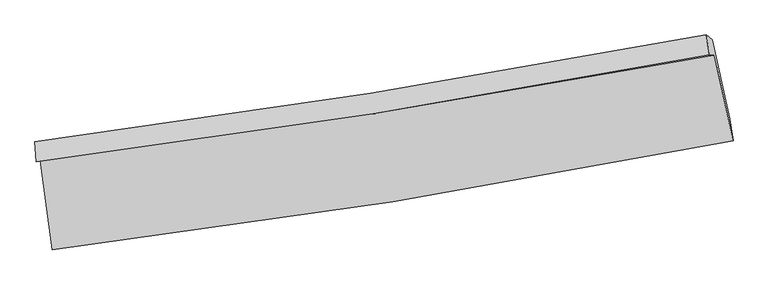
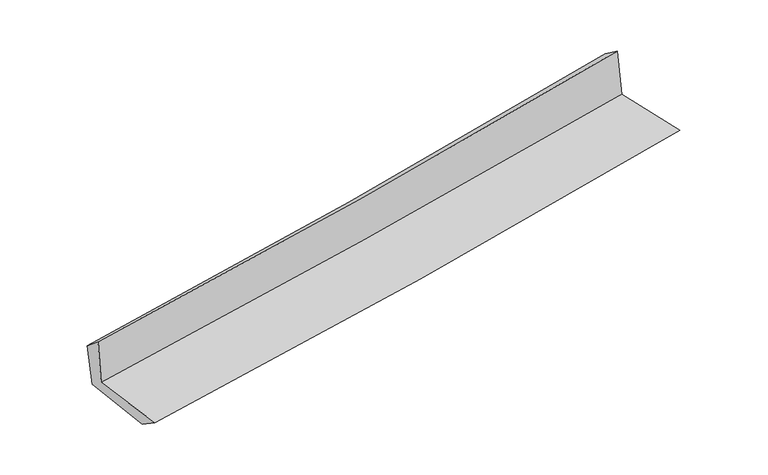
"""IFC4 building model written with IfcOpenShell, lengths in millimetres: proxy geometry."""

import ifcopenshell
import ifcopenshell.guid

model = None  # the IFC model being written
_history = None  # IfcOwnerHistory: only IFC2X3 demands one
_inside = {}  # id of a spatial element -> (the spatial element, [elements in it])
_under = {}  # id of a project, library or spatial element -> (it, [spatial elements below it])
_declared = {}  # id of a project -> (the project, [libraries it declares])
_typed = {}  # id of a type object -> (the type object, [elements of that type])
_made_of = {}  # id of a material, layer set ... -> (it, [elements and type objects made of it])


def new_model(schema):
    """Start an empty IFC model of exactly this schema.

    Asked for "IFC4X3", IfcOpenShell would pick the latest addendum, in which some entities
    have other attributes; the version numbers below select the first issue.
    IFC2X3 requires an IfcOwnerHistory on every rooted entity: one is made here for all.
    """
    global model, _history
    if schema == "IFC4X3":
        model = ifcopenshell.file(schema_version=(4, 3, 0, 0))
    else:
        model = ifcopenshell.file(schema=schema)
    _inside.clear()
    _under.clear()
    _declared.clear()
    _typed.clear()
    _made_of.clear()
    _history = None
    if model.schema == "IFC2X3":
        org = make("IfcOrganization", Name="unknown")
        user = make(
            "IfcPersonAndOrganization",
            ThePerson=make("IfcPerson", FamilyName="unknown"),
            TheOrganization=org,
        )
        app = make(
            "IfcApplication",
            ApplicationDeveloper=org,
            Version="unknown",
            ApplicationFullName="unknown",
            ApplicationIdentifier="unknown",
        )
        _history = make(
            "IfcOwnerHistory",
            OwningUser=user,
            OwningApplication=app,
            ChangeAction="ADDED",
            CreationDate=0,
        )
    return model


def make(cls, **values):
    """One entity of the class cls with the attributes given. An attribute that is None is left unset."""
    return model.create_entity(
        cls, **{name: value for name, value in values.items() if value is not None}
    )


def rooted(cls, **values):
    """An entity with a GlobalId (a new one), such as an element, a storey or a relation."""
    return make(cls, GlobalId=ifcopenshell.guid.new(), OwnerHistory=_history, **values)


def si_unit(unit_type, name, prefix=None):
    """IfcSIUnit, for example si_unit("LENGTHUNIT", "METRE", prefix="MILLI")."""
    return make("IfcSIUnit", UnitType=unit_type, Prefix=prefix, Name=name)


def assignment(units):
    """IfcUnitAssignment: the units of a project."""
    return None if units is None else make("IfcUnitAssignment", Units=units)


def point(xyz):
    """IfcCartesianPoint."""
    return None if xyz is None else make("IfcCartesianPoint", Coordinates=xyz)


def direction(xyz):
    """IfcDirection."""
    return None if xyz is None else make("IfcDirection", DirectionRatios=xyz)


def frame(location, z_axis=None, x_axis=None):
    """IfcAxis2Placement3D, a coordinate frame: its origin and axes. An axis left out is left unset."""
    return make(
        "IfcAxis2Placement3D",
        Location=point(location),
        Axis=direction(z_axis),
        RefDirection=direction(x_axis),
    )


def origin():
    """The frame at (0, 0, 0) with its axes left unset."""
    return frame((0.0, 0.0, 0.0))


def place(relative_to, where):
    """IfcLocalPlacement: puts the frame where relative to a parent placement (None: the world)."""
    return make(
        "IfcLocalPlacement", PlacementRelTo=relative_to, RelativePlacement=where
    )


def context(
    kind, dimensions, precision=None, world=None, true_north=None, identifier=None
):
    """IfcGeometricRepresentationContext, for example the 3D "Model" context."""
    return make(
        "IfcGeometricRepresentationContext",
        ContextIdentifier=identifier,
        ContextType=kind,
        CoordinateSpaceDimension=dimensions,
        Precision=precision,
        WorldCoordinateSystem=world,
        TrueNorth=true_north,
    )


def project(units=None, contexts=None):
    """IfcProject with its units and contexts."""
    return rooted(
        "IfcProject",
        Name="project",
        RepresentationContexts=contexts,
        UnitsInContext=assignment(units),
    )


def spatial(cls, under=None, at=None, **own):
    """A site, building, storey or space (cls), placed at a placement, below another one or the project."""
    s = rooted(cls, ObjectPlacement=at, **own)
    if under is not None:
        _under.setdefault(under.id(), (under, []))[1].append(s)
    return s


def shape(context_of_items, identifier, shape_type, items):
    """IfcShapeRepresentation: the items that make up one representation, for example the "Body"."""
    return make(
        "IfcShapeRepresentation",
        ContextOfItems=context_of_items,
        RepresentationIdentifier=identifier,
        RepresentationType=shape_type,
        Items=items,
    )


def source(mapping_origin, context_of_items, identifier, shape_type, items):
    """IfcRepresentationMap: a shape defined once, which mapped items show again and again."""
    return make(
        "IfcRepresentationMap",
        MappingOrigin=mapping_origin,
        MappedRepresentation=shape(context_of_items, identifier, shape_type, items),
    )


def transform(
    local_origin,
    x_axis=None,
    y_axis=None,
    z_axis=None,
    scale=None,
    scale2=None,
    scale3=None,
    uniform=True,
):
    """IfcCartesianTransformationOperator3D, or its non-uniform kind. x_axis, y_axis, z_axis: its Axis1, 2, 3."""
    if uniform:
        return make(
            "IfcCartesianTransformationOperator3D",
            Axis1=direction(x_axis),
            Axis2=direction(y_axis),
            LocalOrigin=point(local_origin),
            Scale=scale,
            Axis3=direction(z_axis),
        )
    return make(
        "IfcCartesianTransformationOperator3DnonUniform",
        Axis1=direction(x_axis),
        Axis2=direction(y_axis),
        LocalOrigin=point(local_origin),
        Scale=scale,
        Axis3=direction(z_axis),
        Scale2=scale2,
        Scale3=scale3,
    )


def mapped(mapping_source, mapping_target):
    """IfcMappedItem: shows the shape of a source again, moved by a transform."""
    return make(
        "IfcMappedItem", MappingSource=mapping_source, MappingTarget=mapping_target
    )


def made_of(thing, what):
    """Note that an element or type object is made of a material, layer set ...; save() writes the relation."""
    if what is not None:
        _made_of.setdefault(what.id(), (what, []))[1].append(thing)
    return thing


def element(
    cls,
    number,
    at=None,
    inside=None,
    cuts=None,
    type_object=None,
    material=None,
    context=None,
    identifier="Body",
    shape_type=None,
    held_by="IfcProductDefinitionShape",
    body=None,
    shapes=None,
    **own,
):
    """One element of the class cls, such as IfcWall. Its Tag is "e" and its number.

    at: its placement. inside: the storey or other place that contains it. cuts: it is an
    opening in that element (IfcRelVoidsElement). A single representation is given by context,
    identifier, shape_type and body (its items); several are given by shapes. held_by: the class
    of the entity that holds the representations. save() writes the other relations.
    """
    e = rooted(cls, Tag="e%d" % number, ObjectPlacement=at, **own)
    if body is not None:
        shapes = [shape(context, identifier, shape_type, body)]
    if shapes is not None:
        e.Representation = make(held_by, Representations=shapes)
    if inside is not None:
        _inside.setdefault(inside.id(), (inside, []))[1].append(e)
    if cuts is not None:
        rooted(
            "IfcRelVoidsElement", RelatingBuildingElement=cuts, RelatedOpeningElement=e
        )
    if type_object is not None:
        _typed.setdefault(type_object.id(), (type_object, []))[1].append(e)
    return made_of(e, material)


def aggregate(whole, parts):
    """IfcRelAggregates: a whole, such as a stair, and the parts it consists of."""
    return rooted("IfcRelAggregates", RelatingObject=whole, RelatedObjects=parts)


def save(model, path):
    """Write the relations noted so far, then the file.

    IfcRelAggregates (storeys below a building ...), IfcRelContainedInSpatialStructure (elements
    in a storey), IfcRelDefinesByType, IfcRelAssociatesMaterial and IfcRelDeclares: one each for
    every whole, place, type object, material and project.
    """
    for whole, parts in _under.values():
        aggregate(whole, parts)
    for where, things in _inside.values():
        rooted(
            "IfcRelContainedInSpatialStructure",
            RelatedElements=things,
            RelatingStructure=where,
        )
    for kind, things in _typed.values():
        rooted("IfcRelDefinesByType", RelatedObjects=things, RelatingType=kind)
    for what, things in _made_of.values():
        rooted("IfcRelAssociatesMaterial", RelatedObjects=things, RelatingMaterial=what)
    for by, libraries in _declared.values():
        rooted("IfcRelDeclares", RelatingContext=by, RelatedDefinitions=libraries)
    model.write(path)


def plane_surface(at):
    """IfcPlane: the flat surface through the origin of the frame at, square to its z axis."""
    return make("IfcPlane", Position=at)


def spline_curve(degree, points, multiplicities, knots, weights=None):
    """IfcBSplineCurveWithKnots; with weights, IfcRationalBSplineCurveWithKnots."""
    own = dict(
        Degree=degree,
        ControlPointsList=[point(p) for p in points],
        CurveForm="UNSPECIFIED",
        ClosedCurve=False,
        SelfIntersect=False,
        KnotMultiplicities=multiplicities,
        Knots=knots,
        KnotSpec="UNSPECIFIED",
    )
    if weights is None:
        return make("IfcBSplineCurveWithKnots", **own)
    return make("IfcRationalBSplineCurveWithKnots", WeightsData=weights, **own)


def spline_surface(u_degree, v_degree, points, u_multiplicities, v_multiplicities, u_knots, v_knots, weights=None):
    """IfcBSplineSurfaceWithKnots; with weights, IfcRationalBSplineSurfaceWithKnots. points: one row for each step in u."""
    own = dict(
        UDegree=u_degree,
        VDegree=v_degree,
        ControlPointsList=[[point(p) for p in row] for row in points],
        SurfaceForm="UNSPECIFIED",
        UClosed=False,
        VClosed=False,
        SelfIntersect=False,
        UMultiplicities=u_multiplicities,
        VMultiplicities=v_multiplicities,
        UKnots=u_knots,
        VKnots=v_knots,
        KnotSpec="UNSPECIFIED",
    )
    if weights is None:
        return make("IfcBSplineSurfaceWithKnots", **own)
    return make("IfcRationalBSplineSurfaceWithKnots", WeightsData=weights, **own)


def advanced_brep(points, edges, surfaces, faces):
    """IfcAdvancedBrep: a solid bounded by faces that lie on surfaces and meet in shared edges.

    An edge is (start, end): straight between two places in points (the first is 0);
    or (start, end, curve); or (start, end, curve, False) where it runs against its curve.
    A face is (place in surfaces, loops), or (place, loops, False) where it looks against
    its surface's normal. A loop lists edges by number (the first is 1), with a minus sign
    where the edge is run from its end to its start. The first loop is the outer one.
    """
    corners = [point(p) for p in points]
    vertices = [make("IfcVertexPoint", VertexGeometry=c) for c in corners]
    made = []
    for start, end, *more in edges:
        made.append(
            make(
                "IfcEdgeCurve",
                EdgeStart=vertices[start],
                EdgeEnd=vertices[end],
                EdgeGeometry=more[0] if more else make("IfcPolyline", Points=[corners[start], corners[end]]),
                SameSense=more[1] if len(more) > 1 else True,
            )
        )
    hull = []
    for where, loops, *sense in faces:
        bounds = []
        for j, loop in enumerate(loops):
            ring = [make("IfcOrientedEdge", EdgeElement=made[abs(k) - 1], Orientation=k > 0) for k in loop]
            bounds.append(
                make(
                    "IfcFaceOuterBound" if j == 0 else "IfcFaceBound",
                    Bound=make("IfcEdgeLoop", EdgeList=ring),
                    Orientation=True,
                )
            )
        hull.append(make("IfcAdvancedFace", Bounds=bounds, FaceSurface=surfaces[where], SameSense=sense[0] if sense else True))
    return make("IfcAdvancedBrep", Outer=make("IfcClosedShell", CfsFaces=hull))


def generic_models_9d9967fe(model_context):
    return source(origin(), model_context, "Body", "AdvancedBrep", [
        advanced_brep(
        [(-2580.0797332, -1886.145468, 1654.2389904), (-2492.6888988, -2566.8540588, 1658.1326456), (2669.9689953, -1739.5051658, 2105.8243804), (2529.0386352, -1090.2027942, 2104.1302781), (-2613.7956621, -1898.6616966, 2058.6817602), (2490.5235314, -1085.9475678, 2521.3939009), (-2622.2960306, -1745.9186337, 1930.6322182), (2467.6924338, -937.154128, 2415.9491062), (-2588.3626524, -1763.3003752, 1567.8122944), (2511.8336458, -974.6346319, 2016.3705052), (-2504.9628452, -2391.7287979, 1540.2593526), (2643.5123892, -1572.542973, 1996.8023133)],
        [
            (0, 1),
            (1, 2, spline_curve(3, [(-2492.6888988, -2566.8540588, 1658.1326456), (-1629.264565399, -2461.216894519, 1737.115605135), (-768.282529753, -2339.641482574, 1813.836778015), (952.625264331, -2064.00097599, 1963.0875722), (1812.529193617, -1909.793423324, 2035.596977865), (2669.9689953, -1739.5051658, 2105.8243804)], [4, 2, 4], [0.0, 8.543448177390792, 17.12499248668889])),
            (2, 3),
            (3, 0, spline_curve(3, [(2529.0386352, -1090.2027942, 2104.1302781), (1678.561303296, -1244.385616988, 2031.075443792), (826.612364786, -1387.929523757, 1956.971355113), (-876.440128378, -1653.149499242, 1806.998297245), (-1727.530645746, -1774.919816978, 1731.138623547), (-2580.0797332, -1886.145468, 1654.2389904)], [4, 2, 4], [0.0, 8.581544309298097, 17.12499248668889])),
            (4, 0),
            (3, 5),
            (5, 4, spline_curve(3, [(2490.5235314, -1085.9475678, 2521.3939009), (1642.440448096, -1248.524978961, 2442.009273413), (792.087683368, -1397.660688938, 2363.674165148), (-909.372154769, -1668.446319746, 2209.446082506), (-1760.45912115, -1790.215319226, 2133.543810366), (-2613.7956621, -1898.6616966, 2058.6817602)], [4, 2, 4], [0.0, 8.533313000612885, 17.028743983029415])),
            (6, 4),
            (5, 7),
            (7, 6, spline_curve(3, [(2467.6924338, -937.154128, 2415.9491062), (1621.692557568, -1098.04855145, 2334.103591549), (773.578625901, -1246.014038601, 2252.648657727), (-923.102924046, -1515.487670745, 2090.879821832), (-1771.651813533, -1637.110352398, 2010.562459592), (-2622.2960306, -1745.9186337, 1930.6322182)], [4, 2, 4], [0.0, 8.522298388461138, 17.006763655999222])),
            (8, 6),
            (7, 9),
            (9, 8, spline_curve(3, [(2511.8336458, -974.6346319, 2016.3705052), (1663.309090599, -1129.140571443, 1940.376461716), (813.081185476, -1272.236565627, 1864.917622146), (-886.999337092, -1535.024066837, 1715.402959868), (-1736.836864744, -1654.816654104, 1641.342396002), (-2588.3626524, -1763.3003752, 1567.8122944)], [4, 2, 4], [0.0, 8.514660217725355, 16.991521222732217])),
            (10, 8),
            (9, 11),
            (11, 10, spline_curve(3, [(2643.5123892, -1572.542973, 1996.8023133), (1787.815222028, -1739.989335092, 1928.361764389), (929.967824224, -1892.095815225, 1856.002910497), (-786.209635911, -2165.021862304, 1703.787211823), (-1644.520649685, -2285.977323696, 1623.965078601), (-2504.9628452, -2391.7287979, 1540.2593526)], [4, 2, 4], [0.0, 8.56142536515144, 17.084843912617167])),
            (1, 10),
            (11, 2),
        ],
        [
            spline_surface(3, 3, [[(-2580.0797332, -1886.145468, 1654.2389904), (-1727.530645745, -1774.919816966, 1731.138623473), (-876.440128289, -1653.149499184, 1806.998297268), (826.612364697, -1387.929523816, 1956.97135509), (1678.561303339, -1244.385616967, 2031.075443858), (2529.0386352, -1090.2027942, 2104.1302781)], [(-2550.949455071, -2113.048331626, 1655.536875467), (-1694.77528561, -2003.685509508, 1733.130950695), (-840.387595449, -1881.98016035, 1809.277790839), (868.616664601, -1613.286674505, 1959.010094166), (1723.217266719, -1466.188219109, 2032.58262182), (2576.01542187, -1306.636918061, 2104.694978873)], [(-2521.819176929, -2339.951195174, 1656.834760533), (-1662.019925461, -2232.451201971, 1735.123277916), (-804.33506264, -2110.810821516, 1811.557284369), (910.620964474, -1838.643825192, 1961.0488332), (1767.873230189, -1687.990821268, 2034.089799764), (2622.99220863, -1523.071041939, 2105.259679627)], [(-2492.6888988, -2566.8540588, 1658.1326456), (-1629.264565326, -2461.216894513, 1737.115605139), (-768.2825298, -2339.641482683, 1813.83677794), (952.625264379, -2064.00097588, 1963.087572276), (1812.529193569, -1909.79342341, 2035.596977726), (2669.9689953, -1739.5051658, 2105.8243804)]], [4, 4], [4, 2, 4], [0.0, 2.2679914264988903], [0.0, 8.543448177390792, 17.12499248668889]),
            spline_surface(3, 3, [[(-2613.7956621, -1898.6616966, 2058.6817602), (-1760.459121033, -1790.215319176, 2133.543810418), (-909.372154747, -1668.446319724, 2209.446082512), (792.087683347, -1397.660688961, 2363.674165142), (1642.440448192, -1248.524978821, 2442.009273287), (2490.5235314, -1085.9475678, 2521.3939009)], [(-2602.55701913, -1894.489620394, 1923.867503602), (-1749.482962601, -1785.116818433, 1999.408748104), (-898.394812594, -1663.347379553, 2075.296820749), (803.595910465, -1394.416967255, 2228.106561776), (1654.480733243, -1247.145191551, 2305.03133015), (2503.361899336, -1087.365976614, 2382.30602664)], [(-2591.31837617, -1890.317544206, 1789.053246998), (-1738.506804177, -1780.018317709, 1865.273685786), (-887.417470443, -1658.248439354, 1941.147559031), (815.104137579, -1391.173245522, 2092.538958456), (1666.521018288, -1245.765404237, 2168.053386995), (2516.200267264, -1088.784385386, 2243.21815236)], [(-2580.0797332, -1886.145468, 1654.2389904), (-1727.530645745, -1774.919816966, 1731.138623473), (-876.440128289, -1653.149499184, 1806.998297268), (826.612364697, -1387.929523816, 1956.97135509), (1678.561303339, -1244.385616967, 2031.075443858), (2529.0386352, -1090.2027942, 2104.1302781)]], [4, 4], [4, 2, 4], [0.0, 1.3326147568162963], [0.0, 8.49543098241653, 17.028743983029415]),
            spline_surface(3, 3, [[(-2622.2960306, -1745.9186337, 1930.6322182), (-1771.651813495, -1637.110352276, 2010.562459584), (-923.102923923, -1515.487670798, 2090.879821834), (773.578625777, -1246.014038549, 2252.648657725), (1621.692557669, -1098.048551437, 2334.103591448), (2467.6924338, -937.154128, 2415.9491062)], [(-2619.462574424, -1796.832987994, 1973.315398876), (-1767.920915999, -1688.145341237, 2051.556243204), (-918.526000879, -1566.473887104, 2130.401908747), (779.74831162, -1296.562922017, 2289.657160218), (1628.608521203, -1148.207360543, 2370.072152054), (2475.302799693, -986.751941245, 2451.097371093)], [(-2616.629118276, -1847.747342306, 2015.998579524), (-1764.19001853, -1739.180330215, 2092.550026797), (-913.949077792, -1617.460103417, 2169.923995599), (785.917997505, -1347.111805492, 2326.665662649), (1635.524484658, -1198.366169715, 2406.040712681), (2482.913165507, -1036.349754555, 2486.245636007)], [(-2613.7956621, -1898.6616966, 2058.6817602), (-1760.459121033, -1790.215319176, 2133.543810418), (-909.372154747, -1668.446319724, 2209.446082512), (792.087683347, -1397.660688961, 2363.674165142), (1642.440448192, -1248.524978821, 2442.009273287), (2490.5235314, -1085.9475678, 2521.3939009)]], [4, 4], [4, 2, 4], [0.0, 0.627915782801914], [0.0, 8.484465267538084, 17.006763655999222]),
            spline_surface(3, 3, [[(-2588.3626524, -1763.3003752, 1567.8122944), (-1736.836864846, -1654.816654058, 1641.342395864), (-886.99933708, -1535.024066927, 1715.402959866), (813.081185464, -1272.236565537, 1864.917622148), (1663.309090458, -1129.14057155, 1940.376461735), (2511.8336458, -974.6346319, 2016.3705052)], [(-2599.673778479, -1757.506461382, 1688.75226899), (-1748.441847742, -1648.914553479, 1764.415750427), (-899.03386601, -1528.511934889, 1840.561913838), (799.913665586, -1263.495723213, 1994.161300656), (1649.436912864, -1118.776564863, 2071.618838304), (2497.119908469, -962.141130618, 2149.563372198)], [(-2610.984904521, -1751.712547518, 1809.69224361), (-1760.0468306, -1643.012452854, 1887.489105021), (-911.068394993, -1521.999802835, 1965.720867862), (786.746145655, -1254.754880873, 2123.404979217), (1635.564735263, -1108.412558124, 2202.861214879), (2482.406171131, -949.647629282, 2282.756239202)], [(-2622.2960306, -1745.9186337, 1930.6322182), (-1771.651813495, -1637.110352276, 2010.562459584), (-923.102923923, -1515.487670798, 2090.879821834), (773.578625777, -1246.014038549, 2252.648657725), (1621.692557669, -1098.048551437, 2334.103591448), (2467.6924338, -937.154128, 2415.9491062)]], [4, 4], [4, 2, 4], [0.0, 1.2604411923233898], [0.0, 8.476861005006862, 16.991521222732217]),
            spline_surface(3, 3, [[(-2504.9628452, -2391.7287979, 1540.2593526), (-1644.520649725, -2285.977323742, 1623.965078575), (-786.209635925, -2165.021862261, 1703.787211753), (929.967824238, -1892.095815269, 1856.002910567), (1787.815221913, -1739.989335154, 1928.361764291), (2643.5123892, -1572.542973, 1996.8023133)], [(-2532.762780935, -2182.252656972, 1549.443666537), (-1675.292721434, -2075.59043382, 1629.757517675), (-819.806202994, -1955.02259713, 1707.659127783), (891.005611295, -1685.47606534, 1858.974481086), (1746.313178084, -1536.373080619, 1932.366663449), (2599.619474723, -1373.240192633, 2003.325043943)], [(-2560.562716665, -1972.776516128, 1558.627980463), (-1706.064793138, -1865.20354398, 1635.549956764), (-853.40277001, -1745.023332057, 1711.531043837), (852.043398406, -1478.856315467, 1861.946051629), (1704.811134286, -1332.756826084, 1936.371562577), (2555.726560277, -1173.937412267, 2009.847774557)], [(-2588.3626524, -1763.3003752, 1567.8122944), (-1736.836864846, -1654.816654058, 1641.342395864), (-886.99933708, -1535.024066927, 1715.402959866), (813.081185464, -1272.236565537, 1864.917622148), (1663.309090458, -1129.14057155, 1940.376461735), (2511.8336458, -974.6346319, 2016.3705052)]], [4, 4], [4, 2, 4], [0.0, 2.081372151491537], [0.0, 8.523418547465727, 17.084843912617167]),
            spline_surface(3, 3, [[(-2492.6888988, -2566.8540588, 1658.1326456), (-1629.264565326, -2461.216894513, 1737.115605139), (-768.2825298, -2339.641482683, 1813.83677794), (952.625264379, -2064.00097588, 1963.087572276), (1812.529193569, -1909.79342341, 2035.596977726), (2669.9689953, -1739.5051658, 2105.8243804)], [(-2496.78021426, -2508.478971831, 1618.841547928), (-1634.349926786, -2402.803704254, 1699.398762946), (-774.258231839, -2281.434942548, 1777.153589218), (945.072784335, -2006.699255683, 1927.392685046), (1804.291203027, -1853.192060653, 1999.851906567), (2661.15012661, -1683.851101529, 2069.483691353)], [(-2500.87152974, -2450.103884869, 1579.550450272), (-1639.435288265, -2344.390514001, 1661.681920768), (-780.233933886, -2223.228402395, 1740.470400475), (937.520304282, -1949.397535467, 1891.697797797), (1796.053212455, -1796.59069791, 1964.106835449), (2652.33125789, -1628.197037271, 2033.143002347)], [(-2504.9628452, -2391.7287979, 1540.2593526), (-1644.520649725, -2285.977323742, 1623.965078575), (-786.209635925, -2165.021862261, 1703.787211753), (929.967824238, -1892.095815269, 1856.002910567), (1787.815221913, -1739.989335154, 1928.361764291), (2643.5123892, -1572.542973, 1996.8023133)]], [4, 4], [4, 2, 4], [0.0, 0.6740936826611363], [0.0, 8.579075840383007, 17.196406680161097]),
            plane_surface(frame((2552.0949384, -1233.3312101, 2193.4117474), z_axis=(0.9734333718049709, 0.21151143988343124, 0.0876948200000592), x_axis=(-0.10932733124160979, 0.09283033415206562, 0.9896615904968744))),
            plane_surface(frame((-2567.0309704, -2042.101505, 1734.9595436), z_axis=(-0.9880955195853155, -0.1273475378624088, -0.08631250648548981), x_axis=(-0.1273350090426484, 0.9918435403802154, -0.005673348054616512))),
        ],
        [
            (0, [[1, 2, 3, 4]]),
            (1, [[5, -4, 6, 7]]),
            (2, [[8, -7, 9, 10]]),
            (3, [[11, -10, 12, 13]]),
            (4, [[14, -13, 15, 16]]),
            (5, [[17, -16, 18, -2]]),
            (6, [[-12, -9, -6, -3, -18, -15]]),
            (7, [[-1, -5, -8, -11, -14, -17]]),
        ],
    ),
    ])


if __name__ == "__main__":
    model = new_model("IFC4")
    model_context = context("Model", 3, world=origin())
    ifc_project = project(units=[si_unit("LENGTHUNIT", "METRE", prefix="MILLI")], contexts=[model_context])
    site = spatial("IfcSite", under=ifc_project)
    building = spatial("IfcBuilding", under=site)
    placement = place(None, origin())
    generic_models_shape = generic_models_9d9967fe(model_context)
    element("IfcBuildingElementProxy", 1, Name="Generic Models", at=placement, inside=building, context=model_context, shape_type="MappedRepresentation", body=[
        mapped(generic_models_shape, transform((0.0, 0.0, 0.0), x_axis=(1.0, 0.0, 0.0), y_axis=(0.0, 1.0, 0.0), z_axis=(0.0, 0.0, 1.0))),
    ])
    save(model, "model.ifc")
